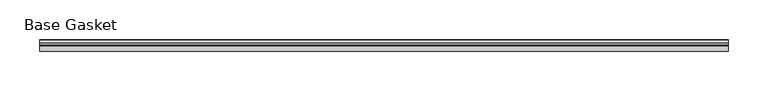
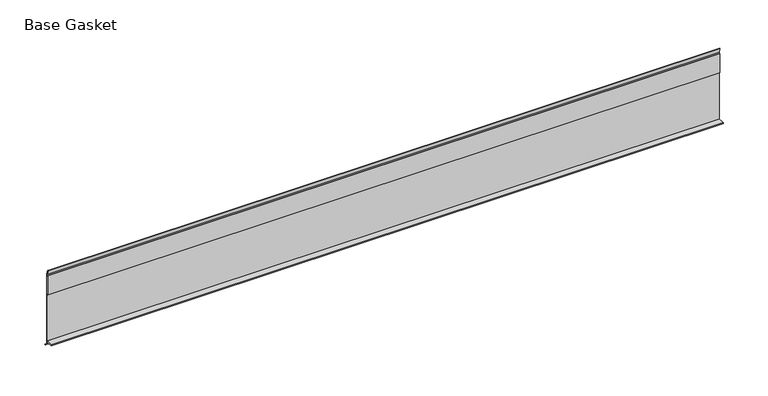
"""IFC4 building model written with IfcOpenShell, lengths in millimetres: furniture geometry, Base Gasket."""

from ifc_helpers import new_model, si_unit, frame, origin, place, context, project, spatial, polyline, outline, extrude, source, transform, mapped, element, save


def base_gasket_720844a2(model_context):
    return source(origin(), model_context, "Body", "SweptSolid", [
        extrude(outline(polyline([(3.7283812, 98.4568417), (3.7283812, 4.3498477), (7.4222115, 0.6560174), (7.8482342, 0.0), (6.8281054, 0.3520979), (2.2043812, 4.3498477), (2.1334222, 6.3818476), (-6.2405171, 6.3818476), (-6.2405171, 7.9398773), (2.2043812, 7.9398773), (2.2043812, 71.4693447), (1.4106313, 71.4693447), (1.4106313, 96.8693477), (2.2043812, 96.8693477), (2.2043812, 98.4568417), (0.6755308, 104.4162708), (0.6755308, 105.2002997), (1.1891543, 104.587663), (3.7283812, 98.4568417)])), frame((-1527.8982117, 0.0, 0.0), z_axis=(1.0, 0.0, 0.0), x_axis=(0.0, 1.0, 0.0)), (0.0, 0.0, 1.0), 863.6),
    ])


if __name__ == "__main__":
    model = new_model("IFC4")
    model_context = context("Model", 3, world=origin())
    ifc_project = project(units=[si_unit("LENGTHUNIT", "METRE", prefix="MILLI")], contexts=[model_context])
    site = spatial("IfcSite", under=ifc_project)
    building = spatial("IfcBuilding", under=site)
    placement = place(None, origin())
    base_gasket_shape = base_gasket_720844a2(model_context)
    element("IfcFurniture", 1, ObjectType="Base Gasket", at=placement, inside=building, context=model_context, shape_type="MappedRepresentation", body=[
        mapped(base_gasket_shape, transform((0.0, 0.0, 0.0), x_axis=(1.0, 0.0, 0.0), y_axis=(0.0, 1.0, 0.0), z_axis=(0.0, 0.0, 1.0))),
    ])
    save(model, "model.ifc")
